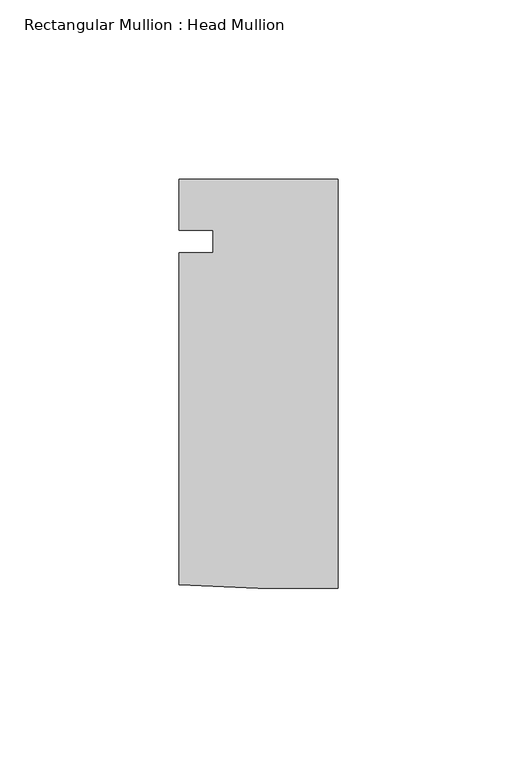
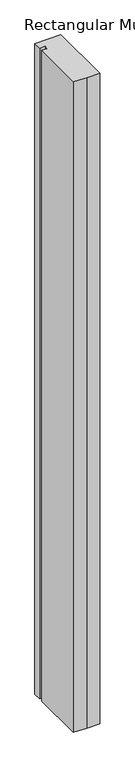
"""IFC4 building model written with IfcOpenShell, lengths in millimetres: member geometry, Rectangular Mullion : Head Mullion."""

from ifc_helpers import new_model, si_unit, frame, origin, place, context, project, spatial, polyline, outline, extrude, source, transform, mapped, element, save


def rectangular_mullion_head_mullion_b1544e37(model_context):
    return source(origin(), model_context, "Body", "SweptSolid", [
        extrude(outline(polyline([(0.0, -96.8756001), (-22.3518628, -96.8756001), (-44.45, -95.8603345), (-44.45, -3.175), (-34.8996, -3.175), (-34.8996, 3.175), (-44.45, 3.175), (-44.45, 17.4243999), (0.0, 17.4243999), (0.0, -96.8756001)])), frame((0.0, 0.0, -1174.75), z_axis=(0.0, 0.0, 1.0), x_axis=(1.0, 0.0, 0.0)), (0.0, 0.0, 1.0), 1174.75),
    ])


if __name__ == "__main__":
    model = new_model("IFC4")
    model_context = context("Model", 3, world=origin())
    ifc_project = project(units=[si_unit("LENGTHUNIT", "METRE", prefix="MILLI")], contexts=[model_context])
    site = spatial("IfcSite", under=ifc_project)
    building = spatial("IfcBuilding", under=site)
    placement = place(None, origin())
    rectangular_mullion_head_mullion_shape = rectangular_mullion_head_mullion_b1544e37(model_context)
    element("IfcMember", 1, ObjectType="Rectangular Mullion : Head Mullion", at=placement, inside=building, context=model_context, shape_type="MappedRepresentation", body=[
        mapped(rectangular_mullion_head_mullion_shape, transform((0.0, 0.0, 0.0), x_axis=(1.0, 0.0, 0.0), y_axis=(0.0, 1.0, 0.0), z_axis=(0.0, 0.0, 1.0))),
    ])
    save(model, "model.ifc")
